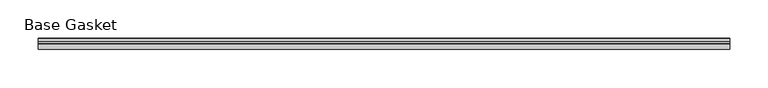
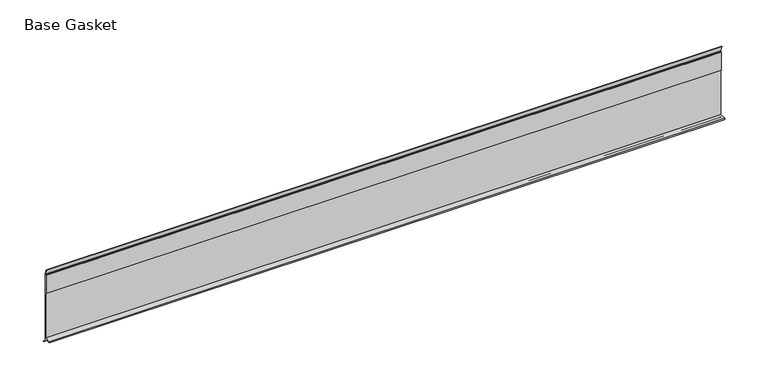
"""IFC4 building model written with IfcOpenShell, lengths in millimetres: furniture geometry, Base Gasket."""

from ifc_helpers import new_model, si_unit, frame, origin, place, context, project, spatial, polyline, outline, extrude, source, transform, mapped, element, save


def base_gasket_e6bc4bcc(model_context):
    return source(origin(), model_context, "Body", "SweptSolid", [
        extrude(outline(polyline([(3.7283812, 98.4568417), (3.7283812, 4.3498477), (7.4222115, 0.6560174), (7.8482342, 0.0), (6.8281054, 0.3520979), (2.2043812, 4.3498477), (2.1334222, 6.3818476), (-6.2405171, 6.3818476), (-6.2405171, 7.9398773), (2.2043812, 7.9398773), (2.2043812, 71.4693447), (1.4106313, 71.4693447), (1.4106313, 96.8693477), (2.2043812, 96.8693477), (2.2043812, 98.4568417), (0.6755308, 104.4162708), (0.6755308, 105.2002997), (1.1891543, 104.587663), (3.7283812, 98.4568417)])), frame((-1527.8982117, 0.0, 0.0), z_axis=(1.0, 0.0, 0.0), x_axis=(0.0, 1.0, 0.0)), (0.0, 0.0, 1.0), 899.1979397),
    ])


if __name__ == "__main__":
    model = new_model("IFC4")
    model_context = context("Model", 3, world=origin())
    ifc_project = project(units=[si_unit("LENGTHUNIT", "METRE", prefix="MILLI")], contexts=[model_context])
    site = spatial("IfcSite", under=ifc_project)
    building = spatial("IfcBuilding", under=site)
    placement = place(None, origin())
    base_gasket_shape = base_gasket_e6bc4bcc(model_context)
    element("IfcFurniture", 1, ObjectType="Base Gasket", at=placement, inside=building, context=model_context, shape_type="MappedRepresentation", body=[
        mapped(base_gasket_shape, transform((0.0, 0.0, 0.0), x_axis=(1.0, 0.0, 0.0), y_axis=(0.0, 1.0, 0.0), z_axis=(0.0, 0.0, 1.0))),
    ])
    save(model, "model.ifc")
